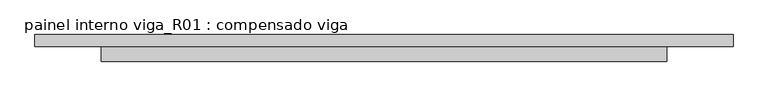
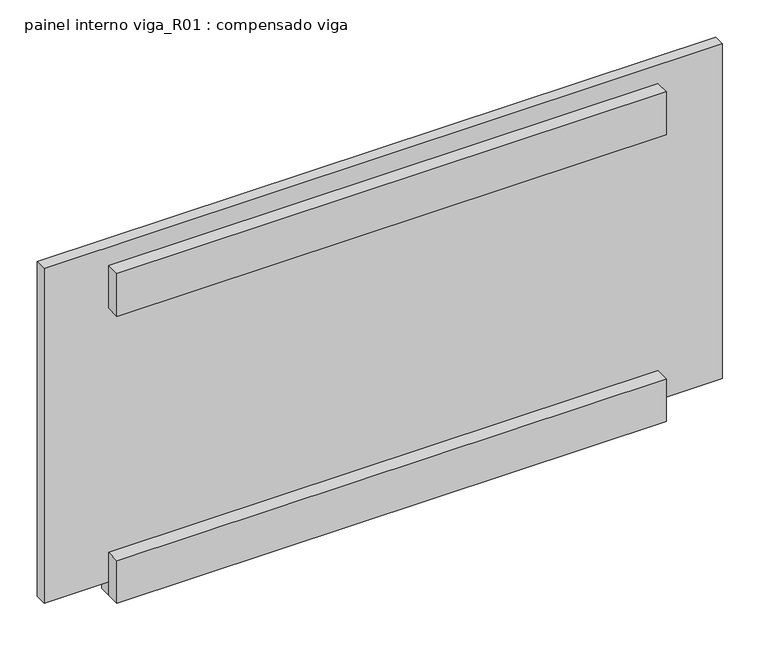
"""IFC4 building model written with IfcOpenShell, lengths in millimetres: proxy geometry, painel interno viga_R01 : compensado viga."""

from ifc_helpers import new_model, si_unit, frame, origin, place, context, project, spatial, polyline, outline, extrude, source, transform, mapped, element, save


def painel_interno_viga_r01_compensado_viga_30cf86da(model_context):
    return source(origin(), model_context, "Body", "SweptSolid", [
        extrude(outline(polyline([(950.0, -40.0), (100.0, -40.0), (100.0, -18.0), (950.0, -18.0), (950.0, -40.0)])), frame((0.0, 0.0, -570.0), z_axis=(0.0, 0.0, 1.0), x_axis=(1.0, 0.0, 0.0)), (0.0, 0.0, 1.0), 70.0),
        extrude(outline(polyline([(950.0, -40.0), (100.0, -40.0), (100.0, -18.0), (950.0, -18.0), (950.0, -40.0)])), frame((0.0, 0.0, -100.0), z_axis=(0.0, 0.0, 1.0), x_axis=(1.0, 0.0, 0.0)), (0.0, 0.0, 1.0), 70.0),
        extrude(outline(polyline([(-548.0, 100.0), (-570.0, 100.0), (-570.0, 950.0), (-548.0, 950.0), (-548.0, 1050.0), (0.0, 1050.0), (0.0, 0.0), (-548.0, 0.0), (-548.0, 100.0)])), frame((0.0, -18.0, 0.0), z_axis=(0.0, 1.0, 0.0), x_axis=(0.0, 0.0, 1.0)), (0.0, 0.0, 1.0), 18.0),
    ])


if __name__ == "__main__":
    model = new_model("IFC4")
    model_context = context("Model", 3, world=origin())
    ifc_project = project(units=[si_unit("LENGTHUNIT", "METRE", prefix="MILLI")], contexts=[model_context])
    site = spatial("IfcSite", under=ifc_project)
    building = spatial("IfcBuilding", under=site)
    placement = place(None, origin())
    painel_interno_viga_r01_compensado_viga_shape = painel_interno_viga_r01_compensado_viga_30cf86da(model_context)
    element("IfcBuildingElementProxy", 1, Name="painel interno viga_R01 : compensado viga", ObjectType="painel interno viga_R01 : compensado viga", at=placement, inside=building, context=model_context, shape_type="MappedRepresentation", body=[
        mapped(painel_interno_viga_r01_compensado_viga_shape, transform((0.0, 0.0, 0.0), x_axis=(1.0, 0.0, 0.0), y_axis=(0.0, 1.0, 0.0), z_axis=(0.0, 0.0, 1.0))),
    ])
    save(model, "model.ifc")
